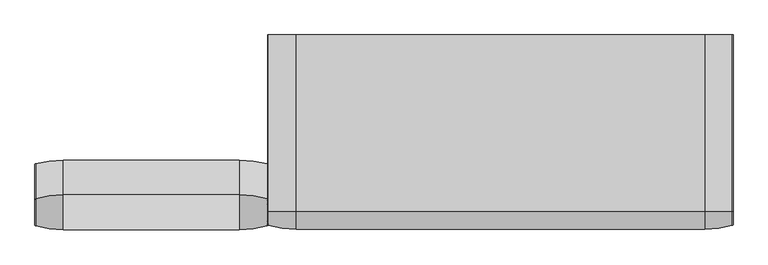
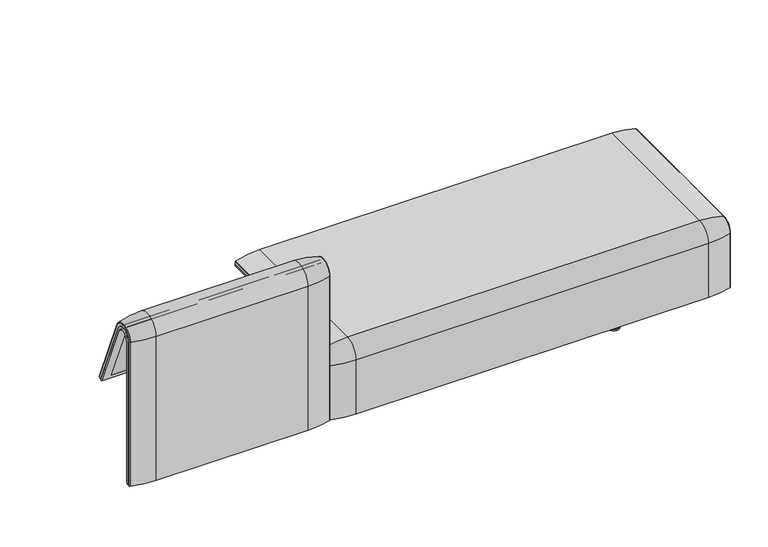
"""IFC4 building model written with IfcOpenShell, lengths in millimetres: furniture geometry."""

from ifc_helpers import new_model, si_unit, point, frame, frame_2d, origin, place, context, project, spatial, polyline, circle_curve, ellipse_curve, trimmed, segment, composite_curve, outline, extrude, source, transform, mapped, element, save
from ifc_brep_helpers import plane_surface, cylinder_surface, revolved_surface, advanced_brep


def furniture_5b1cd11e(model_context):
    return source(origin(), model_context, "Body", "SolidModel", [
        advanced_brep(
        [(-407.940992, -351.0000061, 101.8476716), (-407.940992, -351.0000061, 712.9272623), (-407.940992, -296.2720241, 723.9759107), (-407.940992, -175.0204081, 435.9866665), (-407.940992, -170.1966807, 437.98305), (-407.940992, -292.4403877, 733.7122262), (-407.940992, -359.7858817, 720.3417731), (-407.940992, -359.7858817, 101.8476716), (-1223.9222409, -351.0000061, 101.8476716), (-1223.9222409, -359.7858817, 101.8476716), (-1223.9222409, -359.7858817, 720.3417731), (-1223.9222409, -292.4403877, 733.7122262), (-1223.9222409, -170.1966807, 437.98305), (-1223.9222409, -175.0204081, 435.9866665), (-1223.9222409, -296.2458652, 723.9869215), (-1223.9222409, -351.0000061, 712.9272623), (-1189.038785, -292.4403877, 733.7122262), (-1189.038785, -176.0980387, 452.25948), (-442.8575362, -176.0980387, 452.25948), (-442.8575362, -292.4403877, 733.7122262), (-442.8575362, -296.2458652, 723.9869215), (-442.8575362, -181.0136548, 450.2250668), (-1189.038785, -181.0136548, 450.2250668), (-1189.038785, -296.2458652, 723.9869215), (-1189.038785, -351.0000061, 712.9272623), (-1189.038785, -351.0000061, 135.3766997), (-442.8575362, -351.0000061, 135.3766997), (-442.8575362, -351.0000061, 712.9272623), (-442.8575362, -359.7858817, 720.3417731), (-442.8575362, -359.7858817, 135.3766997), (-1189.038785, -359.7858817, 135.3766997), (-1189.038785, -359.7858817, 720.3417731)],
        [
            (0, 1),
            (1, 2, circle_curve(frame((-407.940992, -322.520748, 712.9272623), z_axis=(-1.0, 0.0, 0.0), x_axis=(0.0, 1.0, 0.0)), 28.479258)),
            (2, 3),
            (3, 4),
            (4, 5),
            (5, 6, circle_curve(frame((-407.940992, -324.7858817, 720.3417731), z_axis=(1.0, 0.0, 0.0), x_axis=(0.0, 1.0, 0.0)), 35.0)),
            (6, 7),
            (7, 0),
            (8, 9),
            (9, 10),
            (10, 11, circle_curve(frame((-1223.9222409, -324.7858817, 720.3417731), z_axis=(-1.0, 0.0, 0.0), x_axis=(0.0, 1.0, 0.0)), 35.0)),
            (11, 12),
            (12, 13),
            (13, 14),
            (14, 15, circle_curve(frame((-1223.9222409, -322.520748, 712.9272623), z_axis=(1.0, 0.0, 0.0), x_axis=(0.0, 1.0, 0.0)), 28.479258)),
            (15, 8),
            (4, 12),
            (11, 16),
            (16, 17),
            (17, 18),
            (18, 19),
            (19, 5),
            (3, 13),
            (2, 20),
            (20, 21),
            (21, 22),
            (22, 23),
            (23, 14),
            (0, 8),
            (15, 24),
            (24, 25),
            (25, 26),
            (26, 27),
            (27, 1),
            (7, 9),
            (6, 28),
            (28, 29),
            (29, 30),
            (30, 31),
            (31, 10),
            (19, 28, circle_curve(frame((-442.8575362, -324.7858817, 720.3417731), z_axis=(1.0, 0.0, 0.0), x_axis=(0.0, 1.0, 0.0)), 35.0)),
            (31, 16, circle_curve(frame((-1189.038785, -324.7858817, 720.3417731), z_axis=(-1.0, 0.0, 0.0), x_axis=(0.0, 1.0, 0.0)), 35.0)),
            (27, 20, circle_curve(frame((-442.8575362, -322.520748, 712.9272623), z_axis=(-1.0, 0.0, 0.0), x_axis=(0.0, 1.0, 0.0)), 28.479258)),
            (23, 24, circle_curve(frame((-1189.038785, -322.520748, 712.9272623), z_axis=(1.0, 0.0, 0.0), x_axis=(0.0, 1.0, 0.0)), 28.479258)),
            (26, 29),
            (18, 21),
            (22, 17),
            (30, 25),
        ],
        [
            plane_surface(frame((-407.940992, -359.7858817, 101.8476716), z_axis=(1.0, 0.0, 0.0), x_axis=(0.0, -1.0, 0.0))),
            plane_surface(frame((-1223.9222409, -359.7858817, 101.8476716), z_axis=(-1.0, 0.0, 0.0), x_axis=(0.0, 1.0, 0.0))),
            plane_surface(frame((-407.940992, -292.4403877, 733.7122262), z_axis=(0.0, 0.9241569717933176, 0.3820129467515535), x_axis=(-1.0, 0.0, 0.0))),
            plane_surface(frame((-407.940992, -170.1966807, 437.98305), z_axis=(0.0, 0.38241039441983893, -0.9239925812687368), x_axis=(-1.0, 0.0, 0.0))),
            plane_surface(frame((-407.940992, -175.0204081, 435.9866665), z_axis=(0.0, -0.921678643444566, -0.3879542218073993), x_axis=(-1.0, 0.0, 0.0))),
            plane_surface(frame((-407.940992, -351.0000061, 712.9272623), z_axis=(0.0, 1.0, 0.0), x_axis=(-1.0, 0.0, 0.0))),
            plane_surface(frame((-407.940992, -351.0000061, 101.8476716), z_axis=(0.0, 0.0, -1.0), x_axis=(-1.0, 0.0, 0.0))),
            plane_surface(frame((-407.940992, -359.7858817, 101.8476716), z_axis=(0.0, -1.0, 0.0), x_axis=(-1.0, 0.0, 0.0))),
            cylinder_surface(frame((-1223.9222409, -324.7858817, 720.3417731), z_axis=(1.0, 0.0, 0.0), x_axis=(0.0, 1.0, 0.0)), 35.0),
            revolved_surface(polyline([(-442.8575362, -294.04149, 712.9272623), (-407.94099200000005, -294.04149, 712.9272623)]), (-1223.9222409, -322.520748, 712.9272623), (-1.0, 0.0, 0.0)),
            revolved_surface(polyline([(-1223.9222409, -294.04149, 712.9272623), (-1189.038785, -294.04149, 712.9272623)]), (-1223.9222409, -322.520748, 712.9272623), (-1.0, 0.0, 0.0)),
            plane_surface(frame((-442.8575362, -359.7858817, 135.3766997), z_axis=(-1.0, 0.0, 0.0), x_axis=(0.0, -1.0, 0.0))),
            plane_surface(frame((-1189.038785, -359.7858817, 135.3766997), z_axis=(1.0, 0.0, 0.0), x_axis=(0.0, 1.0, 0.0))),
            plane_surface(frame((-442.8575362, -166.9120641, 456.0612553), z_axis=(0.0, -0.38241039441982605, 0.9239925812687422), x_axis=(-1.0, 0.0, 0.0))),
            plane_surface(frame((-442.8575362, -344.7858817, 135.3766997), z_axis=(0.0, 0.0, 1.0), x_axis=(-1.0, 0.0, 0.0))),
        ],
        [
            (0, [[1, 2, 3, 4, 5, 6, 7, 8]]),
            (1, [[9, 10, 11, 12, 13, 14, 15, 16]]),
            (2, [[17, -12, 18, 19, 20, 21, 22, -5]]),
            (3, [[23, -13, -17, -4]]),
            (4, [[24, 25, 26, 27, 28, -14, -23, -3]]),
            (5, [[29, -16, 30, 31, 32, 33, 34, -1]]),
            (6, [[35, -9, -29, -8]]),
            (7, [[36, 37, 38, 39, 40, -10, -35, -7]]),
            (8, [[-22, 41, -36, -6]]),
            (8, [[-40, 42, -18, -11]]),
            (9, [[-34, 43, -24, -2]]),
            (10, [[-28, 44, -30, -15]]),
            (11, [[-25, -43, -33, 45, -37, -41, -21, 46]]),
            (12, [[-31, -44, -27, 47, -19, -42, -39, 48]]),
            (13, [[-20, -47, -26, -46]]),
            (14, [[-32, -48, -38, -45]]),
        ],
    ),
        advanced_brep(
        [(-442.8575362, -351.0000061, 135.3766997), (-442.8575362, -351.0000061, 712.9272623), (-442.8575362, -296.2720241, 723.9759107), (-442.8575362, -181.0136548, 450.2250668), (-442.8575362, -176.0980387, 452.25948), (-442.8575362, -292.4403877, 733.7122262), (-442.8575362, -359.7858817, 720.3417731), (-442.8575362, -359.7858817, 135.3766997), (-1189.038785, -351.0000061, 135.3766997), (-1189.038785, -359.7858817, 135.3766997), (-1189.038785, -359.7858817, 720.3417731), (-1189.038785, -292.4403877, 733.7122262), (-1189.038785, -176.0980387, 452.25948), (-1189.038785, -181.0136548, 450.2250668), (-1189.038785, -296.2458652, 723.9869215), (-1189.038785, -351.0000061, 712.9272623)],
        [
            (0, 1),
            (1, 2, circle_curve(frame((-442.8575362, -322.520748, 712.9272623), z_axis=(-1.0, 0.0, 0.0), x_axis=(0.0, 1.0, 0.0)), 28.479258)),
            (2, 3),
            (3, 4),
            (4, 5),
            (5, 6, circle_curve(frame((-442.8575362, -324.7858817, 720.3417731), z_axis=(1.0, 0.0, 0.0), x_axis=(0.0, 1.0, 0.0)), 35.0)),
            (6, 7),
            (7, 0),
            (8, 9),
            (9, 10),
            (10, 11, circle_curve(frame((-1189.038785, -324.7858817, 720.3417731), z_axis=(-1.0, 0.0, 0.0), x_axis=(0.0, 1.0, 0.0)), 35.0)),
            (11, 12),
            (12, 13),
            (13, 14),
            (14, 15, circle_curve(frame((-1189.038785, -322.520748, 712.9272623), z_axis=(1.0, 0.0, 0.0), x_axis=(0.0, 1.0, 0.0)), 28.479258)),
            (15, 8),
            (4, 12),
            (11, 5),
            (3, 13),
            (2, 14),
            (0, 8),
            (15, 1),
            (7, 9),
            (6, 10),
        ],
        [
            plane_surface(frame((-442.8575362, -359.7858817, 135.3766997), z_axis=(1.0, 0.0, 0.0), x_axis=(0.0, -1.0, 0.0))),
            plane_surface(frame((-1189.038785, -359.7858817, 135.3766997), z_axis=(-1.0, 0.0, 0.0), x_axis=(0.0, 1.0, 0.0))),
            plane_surface(frame((-442.8575362, -292.4403877, 733.7122262), z_axis=(0.0, 0.9241569717933176, 0.3820129467515535), x_axis=(-1.0, 0.0, 0.0))),
            plane_surface(frame((-442.8575362, -176.0980387, 452.25948), z_axis=(0.0, 0.38241039441982716, -0.9239925812687417), x_axis=(-1.0, 0.0, 0.0))),
            plane_surface(frame((-442.8575362, -181.0136548, 450.2250668), z_axis=(0.0, -0.921678643444566, -0.3879542218073993), x_axis=(-1.0, 0.0, 0.0))),
            plane_surface(frame((-442.8575362, -351.0000061, 712.9272623), z_axis=(0.0, 1.0, 0.0), x_axis=(-1.0, 0.0, 0.0))),
            plane_surface(frame((-442.8575362, -351.0000061, 135.3766997), z_axis=(0.0, 0.0, -1.0), x_axis=(-1.0, 0.0, 0.0))),
            plane_surface(frame((-442.8575362, -359.7858817, 135.3766997), z_axis=(0.0, -1.0, 0.0), x_axis=(-1.0, 0.0, 0.0))),
            cylinder_surface(frame((-1189.038785, -324.7858817, 720.3417731), z_axis=(1.0, 0.0, 0.0), x_axis=(0.0, 1.0, 0.0)), 35.0),
            revolved_surface(polyline([(-1189.038785, -294.04149, 712.9272623), (-442.8575362, -294.04149, 712.9272623)]), (-1189.038785, -322.520748, 712.9272623), (-1.0, 0.0, 0.0)),
        ],
        [
            (0, [[1, 2, 3, 4, 5, 6, 7, 8]]),
            (1, [[9, 10, 11, 12, 13, 14, 15, 16]]),
            (2, [[17, -12, 18, -5]]),
            (3, [[19, -13, -17, -4]]),
            (4, [[20, -14, -19, -3]]),
            (5, [[21, -16, 22, -1]]),
            (6, [[23, -9, -21, -8]]),
            (7, [[24, -10, -23, -7]]),
            (8, [[-18, -11, -24, -6]]),
            (9, [[-22, -15, -20, -2]]),
        ],
    ),
        extrude(outline(composite_curve([segment(polyline([(-305.0000061, 349.9223263), (-285.0000061, 349.9223263)]), True, "CONTINUOUS"), segment(trimmed(circle_curve(frame_2d((-285.0000061, 359.9223263)), 10.0), [point((-285.0000061, 349.9223263))], [point((-275.0000061, 359.9223263))], True, "CARTESIAN"), True, "CONTINUOUS"), segment(polyline([(-275.0000061, 359.9223263), (-270.0000061, 359.9223263), (-270.0000061, 299.9223263), (-309.4476, 299.9223263)]), True, "CONTINUOUS"), segment(trimmed(circle_curve(frame_2d((-309.4476, 269.9223263)), 30.0), [point((-309.4476, 299.9223263))], [point((-339.4064861, 271.492405))], True, "CARTESIAN"), True, "CONTINUOUS"), segment(polyline([(-339.4064861, 271.492405), (-343.3075759, 197.0551771), (-351.0000061, 197.0551771), (-351.0000061, 712.9272623)]), True, "CONTINUOUS"), segment(trimmed(circle_curve(frame_2d((-322.520748, 712.9272623)), 28.479258), [point((-351.0000061, 712.9272623))], [point((-296.3054528, 724.0549949))], False, "CARTESIAN"), True, "CONTINUOUS"), segment(polyline([(-296.3054528, 724.0549949), (-213.7507451, 529.5682915), (-222.2725218, 526.5505721), (-238.0355877, 560.3545758)]), True, "CONTINUOUS"), segment(trimmed(circle_curve(frame_2d((-251.6302045, 554.0153019)), 15.0), [point((-238.0355877, 560.3545758))], [point((-257.4911714, 567.8228747))], True, "CARTESIAN"), True, "CONTINUOUS"), segment(polyline([(-257.4911714, 567.8228747), (-316.7219399, 542.6809051)]), True, "CONTINUOUS"), segment(trimmed(circle_curve(frame_2d((-305.0000061, 515.0657595)), 30.0), [point((-316.7219399, 542.6809051))], [point((-335.0000061, 515.0657595))], True, "CARTESIAN"), True, "CONTINUOUS"), segment(polyline([(-335.0000061, 515.0657595), (-335.0000061, 379.9223263)]), True, "CONTINUOUS"), segment(trimmed(circle_curve(frame_2d((-305.0000061, 379.9223263)), 30.0), [point((-335.0000061, 379.9223263))], [point((-305.0000061, 349.9223263))], True, "CARTESIAN"), True, "CONTINUOUS")], self_intersect=False), holes=[composite_curve([segment(trimmed(circle_curve(frame_2d((-319.9867182, 576.3274105)), 17.5132879), [point((-337.5000061, 576.3274105))], [point((-314.1406626, 559.8186587))], True, "CARTESIAN"), True, "CONTINUOUS"), segment(polyline([(-314.1406626, 559.8186587), (-265.0756376, 577.1934953)]), True, "CONTINUOUS"), segment(trimmed(circle_curve(frame_2d((-271.7517748, 596.0463251)), 20.0), [point((-265.0756376, 577.1934953))], [point((-253.6256191, 604.4986904))], True, "CARTESIAN"), True, "CONTINUOUS"), segment(polyline([(-253.6256191, 604.4986904), (-308.9053893, 723.0465402)]), True, "CONTINUOUS"), segment(trimmed(circle_curve(frame_2d((-322.5000061, 716.7072663)), 15.0), [point((-308.9053893, 723.0465402))], [point((-337.5000061, 716.7072663))], True, "CARTESIAN"), True, "CONTINUOUS"), segment(polyline([(-337.5000061, 716.7072663), (-337.5000061, 576.3274105)]), True, "CONTINUOUS")], self_intersect=False)]), frame((-570.9533638, 0.0, 0.0), z_axis=(1.0, 0.0, 0.0), x_axis=(0.0, 1.0, 0.0)), (0.0, 0.0, 1.0), 40.0),
        advanced_brep(
        [(-507.940992, -388.2902376, 100.5089435), (-1123.9553291, -388.2902376, 100.5089435), (-1221.8167006, -373.93893, 100.5089435), (-1223.9553291, -371.0652495, 100.5089435), (-1223.9553291, -359.7858817, 100.5089435), (-407.940992, -359.7858817, 100.5089435), (-407.940992, -371.0652495, 100.5089435), (-410.0796206, -373.93893, 100.5089435), (-507.940992, -388.2902376, 720.3417731), (-1123.9553291, -388.2902376, 720.3417731), (-410.0796206, -373.93893, 720.3417731), (-407.940992, -371.0652495, 720.3417731), (-407.940992, -359.7858817, 720.3417731), (-407.940992, -292.4403877, 733.7122262), (-407.940992, -170.1962447, 437.9819952), (-407.940992, -159.7723383, 442.2908598), (-407.940992, -282.0164812, 738.0210907), (-1223.9553291, -359.7858817, 720.3417731), (-507.940992, -143.8537454, 448.8710282), (-410.0796206, -157.1166065, 443.3886429), (-1223.9553291, -170.1962447, 437.9819952), (-1223.9553291, -159.7723383, 442.2908598), (-1221.8167006, -157.1166065, 443.3886429), (-1123.9553291, -143.8537454, 448.8710282), (-507.940992, -266.0978884, 744.6012592), (-1123.9553291, -266.0978884, 744.6012592), (-410.0796206, -279.3607494, 739.1188739), (-1223.9553291, -292.4403877, 733.7122262), (-1223.9553291, -371.0652495, 720.3417731), (-1223.9553291, -282.0164812, 738.0210907), (-1221.8167006, -373.93893, 720.3417731), (-1221.8167006, -279.3607494, 739.1188739)],
        [
            (0, 1),
            (1, 2, circle_curve(frame((-1123.9553291, -47.4569043, 100.5089435), z_axis=(0.0, 0.0, -1.0), x_axis=(0.0, 1.0, 0.0)), 340.8333333)),
            (2, 3, circle_curve(frame((-1220.9553291, -371.0652495, 100.5089435), z_axis=(0.0, 0.0, -1.0), x_axis=(-1.0, 0.0, 0.0)), 3.0)),
            (3, 4),
            (4, 5),
            (5, 6),
            (6, 7, circle_curve(frame((-410.940992, -371.0652495, 100.5089435), z_axis=(0.0, 0.0, -1.0), x_axis=(1.0, 0.0, 0.0)), 3.0)),
            (7, 0, circle_curve(frame((-507.940992, -47.4569043, 100.5089435), z_axis=(0.0, 0.0, -1.0), x_axis=(0.0, 1.0, 0.0)), 340.8333333)),
            (0, 8),
            (8, 9),
            (9, 1),
            (7, 10),
            (10, 8, circle_curve(frame((-507.940992, -47.4569043, 720.3417731), z_axis=(0.0, 0.0, -1.0), x_axis=(0.0, 1.0, 0.0)), 340.8333333)),
            (6, 11),
            (11, 10, circle_curve(frame((-410.940992, -371.0652495, 720.3417731), z_axis=(0.0, 0.0, -1.0), x_axis=(1.0, 0.0, 0.0)), 3.0)),
            (5, 12),
            (12, 13, circle_curve(frame((-407.940992, -324.7858817, 720.3417731), z_axis=(-1.0, 0.0, 0.0), x_axis=(0.0, -1.0, 0.0)), 35.0)),
            (13, 14),
            (14, 15),
            (15, 16),
            (16, 11, circle_curve(frame((-407.940992, -324.7858817, 720.3417731), z_axis=(1.0, 0.0, 0.0), x_axis=(0.0, -1.0, 0.0)), 46.2793679)),
            (4, 17),
            (17, 12),
            (18, 19, circle_curve(frame((-507.940992, -458.8372467, 318.6682822), z_axis=(0.0, 0.38201294675155345, -0.9241569717933176), x_axis=(0.0, -0.9241569717933176, -0.38201294675155345)), 340.8333333)),
            (19, 15, circle_curve(frame((-410.940992, -159.7723383, 442.2908598), z_axis=(0.0, 0.38201294675155345, -0.9241569717933176), x_axis=(1.0, 0.0, 0.0)), 3.0)),
            (14, 20),
            (20, 21),
            (21, 22, circle_curve(frame((-1220.9553291, -159.7723383, 442.2908598), z_axis=(0.0, 0.38201294675155345, -0.9241569717933176), x_axis=(-1.0, 0.0, 0.0)), 3.0)),
            (22, 23, circle_curve(frame((-1123.9553291, -458.8372467, 318.6682822), z_axis=(0.0, 0.38201294675155345, -0.9241569717933176), x_axis=(0.0, -0.9241569717933176, -0.38201294675155345)), 340.8333333)),
            (23, 18),
            (24, 25),
            (25, 9, circle_curve(frame((-1123.9553291, -324.7858817, 720.3417731), z_axis=(1.0, 0.0, 0.0), x_axis=(0.0, -1.0, 0.0)), 63.5043559)),
            (8, 24, circle_curve(frame((-507.940992, -324.7858817, 720.3417731), z_axis=(-1.0, 0.0, 0.0), x_axis=(0.0, -1.0, 0.0)), 63.5043559)),
            (26, 24, circle_curve(frame((-507.940992, -581.0813896, 614.3985132), z_axis=(0.0, -0.3820129467515544, 0.9241569717933172), x_axis=(0.0, -0.9241569717933172, -0.3820129467515544)), 340.8333333)),
            (10, 26, circle_curve(frame((-410.0796206, -324.7858817, 720.3417731), z_axis=(-1.0, 0.0, 0.0), x_axis=(0.0, -1.0, 0.0)), 49.1530483)),
            (16, 26, circle_curve(frame((-410.940992, -282.0164812, 738.0210907), z_axis=(0.0, -0.38201294675155356, 0.9241569717933176), x_axis=(1.0, 0.0, 0.0)), 3.0)),
            (27, 13),
            (17, 27, circle_curve(frame((-1223.9553291, -324.7858817, 720.3417731), z_axis=(-1.0, 0.0, 0.0), x_axis=(0.0, -1.0, 0.0)), 35.0)),
            (24, 18),
            (23, 25),
            (26, 19),
            (27, 20),
            (3, 28),
            (28, 29, circle_curve(frame((-1223.9553291, -324.7858817, 720.3417731), z_axis=(-1.0, 0.0, 0.0), x_axis=(0.0, -1.0, 0.0)), 46.2793679)),
            (29, 21),
            (2, 30),
            (30, 28, circle_curve(frame((-1220.9553291, -371.0652495, 720.3417731), z_axis=(0.0, 0.0, -1.0), x_axis=(-1.0, 0.0, 0.0)), 3.0)),
            (9, 30, circle_curve(frame((-1123.9553291, -47.4569043, 720.3417731), z_axis=(0.0, 0.0, -1.0), x_axis=(0.0, 1.0, 0.0)), 340.8333333)),
            (31, 29, circle_curve(frame((-1220.9553291, -282.0164812, 738.0210907), z_axis=(0.0, -0.3820129467515556, 0.9241569717933167), x_axis=(-1.0, 0.0, 0.0)), 3.0)),
            (30, 31, circle_curve(frame((-1221.8167006, -324.7858817, 720.3417731), z_axis=(-1.0, 0.0, 0.0), x_axis=(0.0, -1.0, 0.0)), 49.1530483)),
            (25, 31, circle_curve(frame((-1123.9553291, -581.0813896, 614.3985132), z_axis=(0.0, -0.382012946751556, 0.9241569717933165), x_axis=(0.0, -0.9241569717933165, -0.382012946751556)), 340.8333333)),
            (31, 22),
        ],
        [
            plane_surface(frame((-811.1831374, -359.7858817, 100.5089435), z_axis=(0.0, 0.0, -1.0), x_axis=(1.0, 0.0, 0.0))),
            plane_surface(frame((-1123.9553291, -388.2902376, 100.5089435), z_axis=(0.0, -1.0, 0.0), x_axis=(0.0, 0.0, 1.0))),
            cylinder_surface(frame((-507.940992, -47.4569043, 100.5089435), z_axis=(0.0, 0.0, -1.0), x_axis=(0.0, 1.0, 0.0)), 340.8333333),
            cylinder_surface(frame((-410.940992, -371.0652495, 100.5089435), z_axis=(0.0, 0.0, -1.0), x_axis=(1.0, 0.0, 0.0)), 3.0),
            plane_surface(frame((-407.940992, -371.0652495, 100.5089435), z_axis=(1.0, 0.0, 0.0), x_axis=(0.0, 0.0, 1.0))),
            plane_surface(frame((-407.940992, -359.7858817, 100.5089435), z_axis=(0.0, 1.0, 0.0), x_axis=(0.0, 0.0, 1.0))),
            plane_surface(frame((-811.1831374, -170.1962447, 437.9819952), z_axis=(0.0, 0.38201294675155345, -0.9241569717933176), x_axis=(1.0, 0.0, 0.0))),
            cylinder_surface(frame((-811.1831374, -324.7858817, 720.3417731), z_axis=(1.0, 0.0, 0.0), x_axis=(0.0, -1.0, 0.0)), 63.5043559),
            revolved_surface(trimmed(ellipse_curve(frame((-507.940992, -47.4569043, 720.3417731), z_axis=(0.0, 0.0, 1.0), x_axis=(0.0, 1.0, 0.0)), 340.8333333, 340.8333333), [point((-507.940992, -388.2902376, 720.3417731))], [point((-410.0796206, -373.93893, 720.3417731))], True, "CARTESIAN"), (-811.1831374, -324.7858817, 720.3417731), (1.0, 0.0, 0.0)),
            revolved_surface(trimmed(ellipse_curve(frame((-410.940992, -371.0652495, 720.3417731), z_axis=(0.0, 0.0, 1.0), x_axis=(1.0, 0.0, 0.0)), 3.0, 3.0), [point((-410.0796206, -373.93893, 720.3417731))], [point((-407.940992, -371.0652495, 720.3417731))], True, "CARTESIAN"), (-811.1831374, -324.7858817, 720.3417731), (1.0, 0.0, 0.0)),
            revolved_surface(polyline([(-407.940992, -359.7858817, 720.3417731), (-1223.9553291, -359.7858817, 720.3417731)]), (-811.1831374, -324.7858817, 720.3417731), (1.0, 0.0, 0.0)),
            plane_surface(frame((-1123.9553291, -266.0978884, 744.6012592), z_axis=(0.0, 0.9241569717933176, 0.38201294675155356), x_axis=(0.0, 0.38201294675155356, -0.9241569717933176))),
            cylinder_surface(frame((-507.940992, -581.0813896, 614.3985132), z_axis=(0.0, -0.38201294675155345, 0.9241569717933176), x_axis=(0.0, -0.9241569717933176, -0.38201294675155345)), 340.8333333),
            cylinder_surface(frame((-410.940992, -282.0164812, 738.0210907), z_axis=(0.0, -0.38201294675155345, 0.9241569717933176), x_axis=(1.0, 0.0, 0.0)), 3.0),
            plane_surface(frame((-407.940992, -292.4403877, 733.7122262), z_axis=(0.0, -0.9241569717933176, -0.38201294675155356), x_axis=(0.0, 0.38201294675155356, -0.9241569717933176))),
            plane_surface(frame((-1223.9553291, -359.7858817, 100.5089435), z_axis=(-1.0, 0.0, 0.0), x_axis=(0.0, 0.0, 1.0))),
            cylinder_surface(frame((-1220.9553291, -371.0652495, 100.5089435), z_axis=(0.0, 0.0, -1.0), x_axis=(-1.0, 0.0, 0.0)), 3.0),
            cylinder_surface(frame((-1123.9553291, -47.4569043, 100.5089435), z_axis=(0.0, 0.0, -1.0), x_axis=(0.0, 1.0, 0.0)), 340.8333333),
            revolved_surface(trimmed(ellipse_curve(frame((-1220.9553291, -371.0652495, 720.3417731), z_axis=(0.0, 0.0, 1.0), x_axis=(-1.0, 0.0, 0.0)), 3.0, 3.0), [point((-1223.9553291, -371.0652495, 720.3417731))], [point((-1221.8167006, -373.93893, 720.3417731))], True, "CARTESIAN"), (-811.1831374, -324.7858817, 720.3417731), (1.0, 0.0, 0.0)),
            revolved_surface(trimmed(ellipse_curve(frame((-1123.9553291, -47.4569043, 720.3417731), z_axis=(0.0, 0.0, 1.0), x_axis=(0.0, 1.0, 0.0)), 340.8333333, 340.8333333), [point((-1221.8167006, -373.93893, 720.3417731))], [point((-1123.9553291, -388.2902376, 720.3417731))], True, "CARTESIAN"), (-811.1831374, -324.7858817, 720.3417731), (1.0, 0.0, 0.0)),
            cylinder_surface(frame((-1220.9553291, -282.0164812, 738.0210907), z_axis=(0.0, -0.38201294675155345, 0.9241569717933176), x_axis=(-1.0, 0.0, 0.0)), 3.0),
            cylinder_surface(frame((-1123.9553291, -581.0813896, 614.3985132), z_axis=(0.0, -0.38201294675155345, 0.9241569717933176), x_axis=(0.0, -0.9241569717933176, -0.38201294675155345)), 340.8333333),
        ],
        [
            (0, [[1, 2, 3, 4, 5, 6, 7, 8]]),
            (1, [[9, 10, 11, -1]]),
            (2, [[12, 13, -9, -8]]),
            (3, [[14, 15, -12, -7]]),
            (4, [[16, 17, 18, 19, 20, 21, -14, -6]]),
            (5, [[22, 23, -16, -5]]),
            (6, [[24, 25, -19, 26, 27, 28, 29, 30]]),
            (7, [[31, 32, -10, 33]]),
            (8, [[34, -33, -13, 35]]),
            (9, [[36, -35, -15, -21]]),
            (10, [[37, -17, -23, 38]]),
            (11, [[39, -30, 40, -31]]),
            (12, [[41, -24, -39, -34]]),
            (13, [[-20, -25, -41, -36]]),
            (14, [[42, -26, -18, -37]]),
            (15, [[43, 44, 45, -27, -42, -38, -22, -4]]),
            (16, [[46, 47, -43, -3]]),
            (17, [[-11, 48, -46, -2]]),
            (18, [[49, -44, -47, 50]]),
            (19, [[51, -50, -48, -32]]),
            (20, [[52, -28, -45, -49]]),
            (21, [[-40, -29, -52, -51]]),
        ],
    ),
        extrude(outline(composite_curve([segment(polyline([(-305.0000061, 349.9223263), (-285.0000061, 349.9223263)]), True, "CONTINUOUS"), segment(trimmed(circle_curve(frame_2d((-285.0000061, 359.9223263)), 10.0), [point((-285.0000061, 349.9223263))], [point((-275.0000061, 359.9223263))], True, "CARTESIAN"), True, "CONTINUOUS"), segment(polyline([(-275.0000061, 359.9223263), (-270.0000061, 359.9223263), (-270.0000061, 299.9223263), (-309.4476, 299.9223263)]), True, "CONTINUOUS"), segment(trimmed(circle_curve(frame_2d((-309.4476, 269.9223263)), 30.0), [point((-309.4476, 299.9223263))], [point((-339.4064861, 271.492405))], True, "CARTESIAN"), True, "CONTINUOUS"), segment(polyline([(-339.4064861, 271.492405), (-343.3075759, 197.0551771), (-351.0000061, 197.0551771), (-351.0000061, 712.9272623)]), True, "CONTINUOUS"), segment(trimmed(circle_curve(frame_2d((-322.520748, 712.9272623)), 28.479258), [point((-351.0000061, 712.9272623))], [point((-296.3054528, 724.0549949))], False, "CARTESIAN"), True, "CONTINUOUS"), segment(polyline([(-296.3054528, 724.0549949), (-213.7507451, 529.5682915), (-222.2725218, 526.5505721), (-238.0355877, 560.3545758)]), True, "CONTINUOUS"), segment(trimmed(circle_curve(frame_2d((-251.6302045, 554.0153019)), 15.0), [point((-238.0355877, 560.3545758))], [point((-257.4911714, 567.8228747))], True, "CARTESIAN"), True, "CONTINUOUS"), segment(polyline([(-257.4911714, 567.8228747), (-316.7219399, 542.6809051)]), True, "CONTINUOUS"), segment(trimmed(circle_curve(frame_2d((-305.0000061, 515.0657595)), 30.0), [point((-316.7219399, 542.6809051))], [point((-335.0000061, 515.0657595))], True, "CARTESIAN"), True, "CONTINUOUS"), segment(polyline([(-335.0000061, 515.0657595), (-335.0000061, 379.9223263)]), True, "CONTINUOUS"), segment(trimmed(circle_curve(frame_2d((-305.0000061, 379.9223263)), 30.0), [point((-335.0000061, 379.9223263))], [point((-305.0000061, 349.9223263))], True, "CARTESIAN"), True, "CONTINUOUS")], self_intersect=False), holes=[composite_curve([segment(trimmed(circle_curve(frame_2d((-319.9867182, 576.3274105)), 17.5132879), [point((-337.5000061, 576.3274105))], [point((-314.1406626, 559.8186587))], True, "CARTESIAN"), True, "CONTINUOUS"), segment(polyline([(-314.1406626, 559.8186587), (-265.0756376, 577.1934953)]), True, "CONTINUOUS"), segment(trimmed(circle_curve(frame_2d((-271.7517748, 596.0463251)), 20.0), [point((-265.0756376, 577.1934953))], [point((-253.6256191, 604.4986904))], True, "CARTESIAN"), True, "CONTINUOUS"), segment(polyline([(-253.6256191, 604.4986904), (-308.9053893, 723.0465402)]), True, "CONTINUOUS"), segment(trimmed(circle_curve(frame_2d((-322.5000061, 716.7072663)), 15.0), [point((-308.9053893, 723.0465402))], [point((-337.5000061, 716.7072663))], True, "CARTESIAN"), True, "CONTINUOUS"), segment(polyline([(-337.5000061, 716.7072663), (-337.5000061, 576.3274105)]), True, "CONTINUOUS")], self_intersect=False)]), frame((-1100.9429574, 0.0, 0.0), z_axis=(1.0, 0.0, 0.0), x_axis=(0.0, 1.0, 0.0)), (0.0, 0.0, 1.0), 40.0),
        advanced_brep(
        [(-407.9906244, 295.0, 359.922434), (-407.9906244, -323.7517936, 359.922434), (-407.9906244, -351.0, 332.6742277), (-407.9906244, -351.0, 100.5089435), (-407.9906244, -357.5, 100.5089435), (-407.9906244, -357.5, 333.0583003), (-407.9906244, -324.3858663, 366.172434), (-407.9906244, 295.0, 366.172434), (1223.9718733, 295.0, 359.922434), (1223.9718733, 295.0, 366.172434), (1223.9718733, -324.3858663, 366.172434), (1223.9718733, -357.5, 333.0583003), (1223.9718733, -357.5, 100.5089435), (1223.9718733, -351.0, 100.5089435), (1223.9718733, -351.0, 332.6742277), (1223.9718733, -323.7517936, 359.922434), (-373.0906244, -324.3858663, 366.172434), (-373.0906244, 260.0, 366.172434), (1189.0718733, 260.0, 366.172434), (1189.0718733, -324.3858663, 366.172434), (-373.0906244, -357.5, 333.0583003), (1189.0718733, -357.5, 333.0583003), (1189.0718733, -357.5, 135.3766997), (-373.0906244, -357.5, 135.3766997), (-373.0906244, -351.0, 332.6742277), (-373.0906244, -351.0, 135.3766997), (1189.0718733, -351.0, 135.3766997), (1189.0718733, -351.0, 332.6742277), (-373.0906244, -323.7517936, 359.922434), (1189.0718733, -323.7517936, 359.922434), (1189.0718733, 260.0, 359.922434), (-373.0906244, 260.0, 359.922434)],
        [
            (0, 1),
            (1, 2, circle_curve(frame((-407.9906244, -323.7517936, 332.6742277), z_axis=(1.0, 0.0, 0.0), x_axis=(0.0, -1.0, 0.0)), 27.2482064)),
            (2, 3),
            (3, 4),
            (4, 5),
            (5, 6, circle_curve(frame((-407.9906244, -324.3858663, 333.0583003), z_axis=(-1.0, 0.0, 0.0), x_axis=(0.0, -1.0, 0.0)), 33.1141337)),
            (6, 7),
            (7, 0),
            (8, 9),
            (9, 10),
            (10, 11, circle_curve(frame((1223.9718733, -324.3858663, 333.0583003), z_axis=(1.0, 0.0, 0.0), x_axis=(0.0, -1.0, 0.0)), 33.1141337)),
            (11, 12),
            (12, 13),
            (13, 14),
            (14, 15, circle_curve(frame((1223.9718733, -323.7517936, 332.6742277), z_axis=(-1.0, 0.0, 0.0), x_axis=(0.0, -1.0, 0.0)), 27.2482064)),
            (15, 8),
            (7, 9),
            (8, 0),
            (6, 16),
            (16, 17),
            (17, 18),
            (18, 19),
            (19, 10),
            (5, 20),
            (20, 16, circle_curve(frame((-373.0906244, -324.3858663, 333.0583003), z_axis=(-1.0, 0.0, 0.0), x_axis=(0.0, -1.0, 0.0)), 33.1141337)),
            (19, 21, circle_curve(frame((1189.0718733, -324.3858663, 333.0583003), z_axis=(1.0, 0.0, 0.0), x_axis=(0.0, -1.0, 0.0)), 33.1141337)),
            (21, 11),
            (4, 12),
            (21, 22),
            (22, 23),
            (23, 20),
            (3, 13),
            (2, 24),
            (24, 25),
            (25, 26),
            (26, 27),
            (27, 14),
            (1, 28),
            (28, 24, circle_curve(frame((-373.0906244, -323.7517936, 332.6742277), z_axis=(1.0, 0.0, 0.0), x_axis=(0.0, -1.0, 0.0)), 27.2482064)),
            (27, 29, circle_curve(frame((1189.0718733, -323.7517936, 332.6742277), z_axis=(-1.0, 0.0, 0.0), x_axis=(0.0, -1.0, 0.0)), 27.2482064)),
            (29, 15),
            (29, 30),
            (30, 31),
            (31, 28),
            (31, 17),
            (23, 25),
            (26, 22),
            (18, 30),
        ],
        [
            plane_surface(frame((-407.9906244, -296.9265415, 359.922434), z_axis=(-1.0, 0.0, 0.0), x_axis=(0.0, -1.0, 0.0))),
            plane_surface(frame((1223.9718733, -296.9265415, 359.922434), z_axis=(1.0, 0.0, 0.0), x_axis=(0.0, 1.0, 0.0))),
            plane_surface(frame((-407.9906244, 295.0, 366.172434), z_axis=(0.0, 1.0, 0.0), x_axis=(1.0, 0.0, 0.0))),
            plane_surface(frame((-407.9906244, -324.3858663, 366.172434), z_axis=(0.0, 0.0, 1.0), x_axis=(1.0, 0.0, 0.0))),
            cylinder_surface(frame((1223.9718733, -324.3858663, 333.0583003), z_axis=(-1.0, 0.0, 0.0), x_axis=(0.0, -1.0, 0.0)), 33.1141337),
            plane_surface(frame((-407.9906244, -357.5, 100.5089435), z_axis=(0.0, -1.0, 0.0), x_axis=(1.0, 0.0, 0.0))),
            plane_surface(frame((-407.9906244, -351.0, 100.5089435), z_axis=(0.0, 0.0, -1.0), x_axis=(1.0, 0.0, 0.0))),
            plane_surface(frame((-407.9906244, -351.0, 332.6742277), z_axis=(0.0, 1.0, 0.0), x_axis=(1.0, 0.0, 0.0))),
            revolved_surface(polyline([(-373.0906244, -351.0, 332.6742277), (-407.9906243999999, -351.0, 332.6742277)]), (1223.9718733, -323.7517936, 332.6742277), (1.0, 0.0, 0.0)),
            revolved_surface(polyline([(1223.9718733, -351.0, 332.6742277), (1189.0718733, -351.0, 332.6742277)]), (1223.9718733, -323.7517936, 332.6742277), (1.0, 0.0, 0.0)),
            plane_surface(frame((-407.9906244, 295.0, 359.922434), z_axis=(0.0, 0.0, -1.0), x_axis=(1.0, 0.0, 0.0))),
            plane_surface(frame((-373.0906244, -296.9265415, 359.922434), z_axis=(1.0, 0.0, 0.0), x_axis=(0.0, -1.0, 0.0))),
            plane_surface(frame((1189.0718733, -296.9265415, 359.922434), z_axis=(-1.0, 0.0, 0.0), x_axis=(0.0, 1.0, 0.0))),
            plane_surface(frame((-373.0906244, 260.0, 366.172434), z_axis=(0.0, -1.0, 0.0), x_axis=(1.0, 0.0, 0.0))),
            plane_surface(frame((-373.0906244, -351.0, 135.3766997), z_axis=(0.0, 0.0, 1.0), x_axis=(1.0, 0.0, 0.0))),
        ],
        [
            (0, [[1, 2, 3, 4, 5, 6, 7, 8]]),
            (1, [[9, 10, 11, 12, 13, 14, 15, 16]]),
            (2, [[-8, 17, -9, 18]]),
            (3, [[-7, 19, 20, 21, 22, 23, -10, -17]]),
            (4, [[-6, 24, 25, -19]]),
            (4, [[-11, -23, 26, 27]]),
            (5, [[-5, 28, -12, -27, 29, 30, 31, -24]]),
            (6, [[-4, 32, -13, -28]]),
            (7, [[-3, 33, 34, 35, 36, 37, -14, -32]]),
            (8, [[-2, 38, 39, -33]]),
            (9, [[-15, -37, 40, 41]]),
            (10, [[-1, -18, -16, -41, 42, 43, 44, -38]]),
            (11, [[45, -20, -25, -31, 46, -34, -39, -44]]),
            (12, [[47, -29, -26, -22, 48, -42, -40, -36]]),
            (13, [[-45, -43, -48, -21]]),
            (14, [[-46, -30, -47, -35]]),
        ],
    ),
        extrude(outline(composite_curve([segment(polyline([(260.0, 359.922434), (-323.7517936, 359.922434)]), True, "CONTINUOUS"), segment(trimmed(circle_curve(frame_2d((-323.7517936, 332.6742277)), 27.2482064), [point((-323.7517936, 359.922434))], [point((-351.0, 332.6742277))], True, "CARTESIAN"), True, "CONTINUOUS"), segment(polyline([(-351.0, 332.6742277), (-351.0, 135.3766997), (-357.5, 135.3766997), (-357.5, 333.0583003)]), True, "CONTINUOUS"), segment(trimmed(circle_curve(frame_2d((-324.3858663, 333.0583003)), 33.1141337), [point((-357.5, 333.0583003))], [point((-324.3858663, 366.172434))], False, "CARTESIAN"), True, "CONTINUOUS"), segment(polyline([(-324.3858663, 366.172434), (260.0, 366.172434), (260.0, 359.922434)]), True, "CONTINUOUS")], self_intersect=False)), frame((-373.0906244, 0.0, 0.0), z_axis=(1.0, 0.0, 0.0), x_axis=(0.0, 1.0, 0.0)), (0.0, 0.0, 1.0), 1562.1624977),
        advanced_brep(
        [(-407.9906244, -368.7793679, 100.5089435), (-407.9906244, -357.5, 100.5089435), (1223.9718733, -357.5, 100.5089435), (1223.9718733, -368.7793679, 100.5089435), (1221.8332448, -371.6530483, 100.5089435), (1123.9718733, -386.0043559, 100.5089435), (-307.9906244, -386.0043559, 100.5089435), (-405.8519959, -371.6530483, 100.5089435), (-407.9906244, 295.0, 377.4518019), (-405.8519959, 295.0, 380.3254823), (-307.9906244, 295.0, 394.67679), (1123.9718733, 295.0, 394.67679), (1221.8332448, 295.0, 380.3254823), (1223.9718733, 295.0, 377.4518019), (1223.9718733, 295.0, 366.172434), (-407.9906244, 295.0, 366.172434), (-407.9906244, -368.7793679, 333.0583003), (-407.9906244, -324.3858663, 377.4518019), (-407.9906244, -324.3858663, 366.172434), (-407.9906244, -357.5, 333.0583003), (1223.9718733, -357.5, 333.0583003), (1123.9718733, -386.0043559, 333.0583003), (-307.9906244, -386.0043559, 333.0583003), (-405.8519959, -371.6530483, 333.0583003), (1223.9718733, -324.3858663, 366.172434), (-307.9906244, -324.3858663, 394.67679), (1123.9718733, -324.3858663, 394.67679), (-405.8519959, -324.3858663, 380.3254823), (1223.9718733, -324.3858663, 377.4518019), (1223.9718733, -368.7793679, 333.0583003), (1221.8332448, -371.6530483, 333.0583003), (1221.8332448, -324.3858663, 380.3254823)],
        [
            (0, 1),
            (1, 2),
            (2, 3),
            (3, 4, circle_curve(frame((1220.9718733, -368.7793679, 100.5089435), z_axis=(0.0, 0.0, -1.0), x_axis=(-1.0, 0.0, 0.0)), 3.0)),
            (4, 5, circle_curve(frame((1123.9718733, -45.1710226, 100.5089435), z_axis=(0.0, 0.0, -1.0), x_axis=(0.0, 1.0, 0.0)), 340.8333333)),
            (5, 6),
            (6, 7, circle_curve(frame((-307.9906244, -45.1710226, 100.5089435), z_axis=(0.0, 0.0, -1.0), x_axis=(0.0, 1.0, 0.0)), 340.8333333)),
            (7, 0, circle_curve(frame((-404.9906244, -368.7793679, 100.5089435), z_axis=(0.0, 0.0, -1.0), x_axis=(1.0, 0.0, 0.0)), 3.0)),
            (8, 9, circle_curve(frame((-404.9906244, 295.0, 377.4518019), z_axis=(0.0, 1.0, 0.0), x_axis=(1.0, 0.0, 0.0)), 3.0)),
            (9, 10, circle_curve(frame((-307.9906244, 295.0, 53.8434566), z_axis=(0.0, 1.0, 0.0), x_axis=(0.0, 0.0, -1.0)), 340.8333333)),
            (10, 11),
            (11, 12, circle_curve(frame((1123.9718733, 295.0, 53.8434566), z_axis=(0.0, 1.0, 0.0), x_axis=(0.0, 0.0, -1.0)), 340.8333333)),
            (12, 13, circle_curve(frame((1220.9718733, 295.0, 377.4518019), z_axis=(0.0, 1.0, 0.0), x_axis=(-1.0, 0.0, 0.0)), 3.0)),
            (13, 14),
            (14, 15),
            (15, 8),
            (0, 16),
            (16, 17, circle_curve(frame((-407.9906244, -324.3858663, 333.0583003), z_axis=(-1.0, 0.0, 0.0), x_axis=(0.0, -1.0, 0.0)), 44.3935016)),
            (17, 8),
            (15, 18),
            (18, 19, circle_curve(frame((-407.9906244, -324.3858663, 333.0583003), z_axis=(1.0, 0.0, 0.0), x_axis=(0.0, -1.0, 0.0)), 33.1141337)),
            (19, 1),
            (19, 20),
            (20, 2),
            (5, 21),
            (21, 22),
            (22, 6),
            (22, 23, circle_curve(frame((-307.9906244, -45.1710226, 333.0583003), z_axis=(0.0, 0.0, -1.0), x_axis=(0.0, 1.0, 0.0)), 340.8333333)),
            (23, 7),
            (23, 16, circle_curve(frame((-404.9906244, -368.7793679, 333.0583003), z_axis=(0.0, 0.0, -1.0), x_axis=(1.0, 0.0, 0.0)), 3.0)),
            (24, 20, circle_curve(frame((1223.9718733, -324.3858663, 333.0583003), z_axis=(1.0, 0.0, 0.0), x_axis=(0.0, -1.0, 0.0)), 33.1141337)),
            (18, 24),
            (25, 22, circle_curve(frame((-307.9906244, -324.3858663, 333.0583003), z_axis=(1.0, 0.0, 0.0), x_axis=(0.0, -1.0, 0.0)), 61.6184897)),
            (21, 26, circle_curve(frame((1123.9718733, -324.3858663, 333.0583003), z_axis=(-1.0, 0.0, 0.0), x_axis=(0.0, -1.0, 0.0)), 61.6184897)),
            (26, 25),
            (27, 23, circle_curve(frame((-405.8519959, -324.3858663, 333.0583003), z_axis=(1.0, 0.0, 0.0), x_axis=(0.0, -1.0, 0.0)), 47.267182)),
            (25, 27, circle_curve(frame((-307.9906244, -324.3858663, 53.8434566), z_axis=(0.0, -1.0, 0.0), x_axis=(0.0, 0.0, -1.0)), 340.8333333)),
            (27, 17, circle_curve(frame((-404.9906244, -324.3858663, 377.4518019), z_axis=(0.0, -1.0, 0.0), x_axis=(1.0, 0.0, 0.0)), 3.0)),
            (14, 24),
            (26, 11),
            (10, 25),
            (9, 27),
            (13, 28),
            (28, 29, circle_curve(frame((1223.9718733, -324.3858663, 333.0583003), z_axis=(1.0, 0.0, 0.0), x_axis=(0.0, -1.0, 0.0)), 44.3935016)),
            (29, 3),
            (29, 30, circle_curve(frame((1220.9718733, -368.7793679, 333.0583003), z_axis=(0.0, 0.0, -1.0), x_axis=(-1.0, 0.0, 0.0)), 3.0)),
            (30, 4),
            (30, 21, circle_curve(frame((1123.9718733, -45.1710226, 333.0583003), z_axis=(0.0, 0.0, -1.0), x_axis=(0.0, 1.0, 0.0)), 340.8333333)),
            (31, 30, circle_curve(frame((1221.8332448, -324.3858663, 333.0583003), z_axis=(1.0, 0.0, 0.0), x_axis=(0.0, -1.0, 0.0)), 47.267182)),
            (28, 31, circle_curve(frame((1220.9718733, -324.3858663, 377.4518019), z_axis=(0.0, -1.0, 0.0), x_axis=(-1.0, 0.0, 0.0)), 3.0)),
            (31, 26, circle_curve(frame((1123.9718733, -324.3858663, 53.8434566), z_axis=(0.0, -1.0, 0.0), x_axis=(0.0, 0.0, -1.0)), 340.8333333)),
            (12, 31),
        ],
        [
            plane_surface(frame((-407.9906244, -357.5, 100.5089435), z_axis=(0.0, 0.0, -1.0), x_axis=(1.0, 0.0, 0.0))),
            plane_surface(frame((-407.9906244, 295.0, 366.172434), z_axis=(0.0, 1.0, 0.0), x_axis=(1.0, 0.0, 0.0))),
            plane_surface(frame((-407.9906244, -368.7793679, 100.5089435), z_axis=(-1.0, 0.0, 0.0), x_axis=(0.0, 0.0, 1.0))),
            plane_surface(frame((-407.9906244, -357.5, 100.5089435), z_axis=(0.0, 1.0, 0.0), x_axis=(0.0, 0.0, 1.0))),
            plane_surface(frame((1123.9718733, -386.0043559, 100.5089435), z_axis=(0.0, -1.0, 0.0), x_axis=(0.0, 0.0, 1.0))),
            cylinder_surface(frame((-307.9906244, -45.1710226, 100.5089435), z_axis=(0.0, 0.0, -1.0), x_axis=(0.0, 1.0, 0.0)), 340.8333333),
            cylinder_surface(frame((-404.9906244, -368.7793679, 100.5089435), z_axis=(0.0, 0.0, -1.0), x_axis=(1.0, 0.0, 0.0)), 3.0),
            revolved_surface(polyline([(-407.9906244, -357.5, 333.0583003), (1223.9718733, -357.5, 333.0583003)]), (-407.9906244, -324.3858663, 333.0583003), (-1.0, 0.0, 0.0)),
            cylinder_surface(frame((-407.9906244, -324.3858663, 333.0583003), z_axis=(-1.0, 0.0, 0.0), x_axis=(0.0, -1.0, 0.0)), 61.6184897),
            revolved_surface(trimmed(ellipse_curve(frame((-307.9906244, -45.1710226, 333.0583003), z_axis=(0.0, 0.0, -1.0), x_axis=(0.0, 1.0, 0.0)), 340.8333333, 340.8333333), [point((-307.9906244, -386.0043559, 333.0583003))], [point((-405.8519959, -371.6530483, 333.0583003))], True, "CARTESIAN"), (-407.9906244, -324.3858663, 333.0583003), (-1.0, 0.0, 0.0)),
            revolved_surface(trimmed(ellipse_curve(frame((-404.9906244, -368.7793679, 333.0583003), z_axis=(0.0, 0.0, -1.0), x_axis=(1.0, 0.0, 0.0)), 3.0, 3.0), [point((-405.8519959, -371.6530483, 333.0583003))], [point((-407.9906244, -368.7793679, 333.0583003))], True, "CARTESIAN"), (-407.9906244, -324.3858663, 333.0583003), (-1.0, 0.0, 0.0)),
            plane_surface(frame((-407.9906244, -324.3858663, 366.172434), z_axis=(0.0, 0.0, -1.0), x_axis=(0.0, 1.0, 0.0))),
            plane_surface(frame((1123.9718733, -324.3858663, 394.67679), z_axis=(0.0, 0.0, 1.0), x_axis=(0.0, 1.0, 0.0))),
            cylinder_surface(frame((-307.9906244, -324.3858663, 53.8434566), z_axis=(0.0, -1.0, 0.0), x_axis=(0.0, 0.0, -1.0)), 340.8333333),
            cylinder_surface(frame((-404.9906244, -324.3858663, 377.4518019), z_axis=(0.0, -1.0, 0.0), x_axis=(1.0, 0.0, 0.0)), 3.0),
            plane_surface(frame((1223.9718733, -357.5, 100.5089435), z_axis=(1.0, 0.0, 0.0), x_axis=(0.0, 0.0, 1.0))),
            cylinder_surface(frame((1220.9718733, -368.7793679, 100.5089435), z_axis=(0.0, 0.0, -1.0), x_axis=(-1.0, 0.0, 0.0)), 3.0),
            cylinder_surface(frame((1123.9718733, -45.1710226, 100.5089435), z_axis=(0.0, 0.0, -1.0), x_axis=(0.0, 1.0, 0.0)), 340.8333333),
            revolved_surface(trimmed(ellipse_curve(frame((1220.9718733, -368.7793679, 333.0583003), z_axis=(0.0, 0.0, -1.0), x_axis=(-1.0, 0.0, 0.0)), 3.0, 3.0), [point((1223.9718733, -368.7793679, 333.0583003))], [point((1221.8332448, -371.6530483, 333.0583003))], True, "CARTESIAN"), (-407.9906244, -324.3858663, 333.0583003), (-1.0, 0.0, 0.0)),
            revolved_surface(trimmed(ellipse_curve(frame((1123.9718733, -45.1710226, 333.0583003), z_axis=(0.0, 0.0, -1.0), x_axis=(0.0, 1.0, 0.0)), 340.8333333, 340.8333333), [point((1221.8332448, -371.6530483, 333.0583003))], [point((1123.9718733, -386.0043559, 333.0583003))], True, "CARTESIAN"), (-407.9906244, -324.3858663, 333.0583003), (-1.0, 0.0, 0.0)),
            cylinder_surface(frame((1220.9718733, -324.3858663, 377.4518019), z_axis=(0.0, -1.0, 0.0), x_axis=(-1.0, 0.0, 0.0)), 3.0),
            cylinder_surface(frame((1123.9718733, -324.3858663, 53.8434566), z_axis=(0.0, -1.0, 0.0), x_axis=(0.0, 0.0, -1.0)), 340.8333333),
        ],
        [
            (0, [[1, 2, 3, 4, 5, 6, 7, 8]]),
            (1, [[9, 10, 11, 12, 13, 14, 15, 16]]),
            (2, [[-1, 17, 18, 19, -16, 20, 21, 22]]),
            (3, [[-2, -22, 23, 24]]),
            (4, [[-6, 25, 26, 27]]),
            (5, [[-7, -27, 28, 29]]),
            (6, [[-8, -29, 30, -17]]),
            (7, [[31, -23, -21, 32]]),
            (8, [[33, -26, 34, 35]]),
            (9, [[36, -28, -33, 37]]),
            (10, [[-18, -30, -36, 38]]),
            (11, [[-32, -20, -15, 39]]),
            (12, [[-35, 40, -11, 41]]),
            (13, [[-37, -41, -10, 42]]),
            (14, [[-38, -42, -9, -19]]),
            (15, [[-3, -24, -31, -39, -14, 43, 44, 45]]),
            (16, [[-4, -45, 46, 47]]),
            (17, [[-5, -47, 48, -25]]),
            (18, [[49, -46, -44, 50]]),
            (19, [[-34, -48, -49, 51]]),
            (20, [[-50, -43, -13, 52]]),
            (21, [[-51, -52, -12, -40]]),
        ],
    ),
        advanced_brep(
        [(815.9812488, -250.0000031, 0.0), (815.9812488, -225.0000031, 0.0), (815.9812488, -275.0000031, 0.0), (815.9812488, -262.4715672, 344.8637637), (815.9812488, -237.5284391, 344.8637637), (815.9812488, -250.0000031, 344.8637637), (815.9812488, -262.4715672, 16.2604994), (815.9812488, -237.5284391, 16.2604994), (815.9812488, -273.2294713, 5.5025953), (815.9812488, -226.770535, 5.5025953), (815.9812488, -275.0000031, 5.5025953), (815.9812488, -225.0000031, 5.5025953)],
        [
            (0, 1),
            (1, 2, circle_curve(frame((815.9812488, -250.0000031, 0.0), z_axis=(0.0, 0.0, -1.0), x_axis=(0.0, 1.0, 0.0)), 25.0)),
            (2, 0),
            (2, 1, circle_curve(frame((815.9812488, -250.0000031, 0.0), z_axis=(0.0, 0.0, -1.0), x_axis=(0.0, 1.0, 0.0)), 25.0)),
            (3, 4, circle_curve(frame((815.9812488, -250.0000031, 344.8637637), z_axis=(0.0, 0.0, 1.0), x_axis=(0.0, 1.0, 0.0)), 12.471564)),
            (4, 5),
            (5, 3),
            (4, 3, circle_curve(frame((815.9812488, -250.0000031, 344.8637637), z_axis=(0.0, 0.0, 1.0), x_axis=(0.0, 1.0, 0.0)), 12.471564)),
            (6, 7, circle_curve(frame((815.9812488, -250.0000031, 16.2604994), z_axis=(0.0, 0.0, 1.0), x_axis=(0.0, 1.0, 0.0)), 12.471564)),
            (7, 4),
            (3, 6),
            (7, 6, circle_curve(frame((815.9812488, -250.0000031, 16.2604994), z_axis=(0.0, 0.0, 1.0), x_axis=(0.0, 1.0, 0.0)), 12.471564)),
            (8, 9, circle_curve(frame((815.9812488, -250.0000031, 5.5025953), z_axis=(0.0, 0.0, 1.0), x_axis=(0.0, 1.0, 0.0)), 23.2294681)),
            (9, 7, circle_curve(frame((815.9812488, -226.770535, 16.2604994), z_axis=(-1.0, 0.0, 0.0), x_axis=(0.0, 1.0, 0.0)), 10.7579041)),
            (6, 8, circle_curve(frame((815.9812488, -273.2294713, 16.2604994), z_axis=(-1.0, 0.0, 0.0), x_axis=(0.0, -1.0, 0.0)), 10.7579041)),
            (9, 8, circle_curve(frame((815.9812488, -250.0000031, 5.5025953), z_axis=(0.0, 0.0, 1.0), x_axis=(0.0, 1.0, 0.0)), 23.2294681)),
            (10, 11, circle_curve(frame((815.9812488, -250.0000031, 5.5025953), z_axis=(0.0, 0.0, 1.0), x_axis=(0.0, 1.0, 0.0)), 25.0)),
            (11, 9),
            (8, 10),
            (11, 10, circle_curve(frame((815.9812488, -250.0000031, 5.5025953), z_axis=(0.0, 0.0, 1.0), x_axis=(0.0, 1.0, 0.0)), 25.0)),
            (1, 11),
            (10, 2),
        ],
        [
            plane_surface(frame((815.9812488, -250.0000031, 0.0), z_axis=(0.0, 0.0, -1.0), x_axis=(0.0, 1.0, 0.0))),
            plane_surface(frame((815.9812488, -250.0000031, 344.8637637), z_axis=(0.0, 0.0, 1.0), x_axis=(0.0, 1.0, 0.0))),
            cylinder_surface(frame((815.9812488, -250.0000031, 344.8637637), z_axis=(0.0, 0.0, -1.0), x_axis=(0.0, 1.0, 0.0)), 12.471564),
            revolved_surface(trimmed(ellipse_curve(frame((815.9812488, -226.770535, 16.2604994), z_axis=(1.0, 0.0, 0.0), x_axis=(0.0, 1.0, 0.0)), 10.7579041, 10.7579041), [point((815.9812488, -237.5284391, 16.2604994))], [point((815.9812488, -226.770535, 5.5025953))], True, "CARTESIAN"), (815.9812488, -250.0000031, 344.8637637), (0.0, 0.0, -1.0)),
            plane_surface(frame((815.9812488, -250.0000031, 5.5025953), z_axis=(0.0, 0.0, 1.0), x_axis=(0.0, 1.0, 0.0))),
            cylinder_surface(frame((815.9812488, -250.0000031, 344.8637637), z_axis=(0.0, 0.0, -1.0), x_axis=(0.0, 1.0, 0.0)), 25.0),
        ],
        [
            (0, [[1, 2, 3]]),
            (0, [[-3, 4, -1]]),
            (1, [[5, 6, 7]]),
            (1, [[8, -7, -6]]),
            (2, [[9, 10, -5, 11]]),
            (2, [[12, -11, -8, -10]]),
            (3, [[13, 14, -9, 15]]),
            (3, [[16, -15, -12, -14]]),
            (4, [[17, 18, -13, 19]]),
            (4, [[20, -19, -16, -18]]),
            (5, [[-2, 21, -17, 22]]),
            (5, [[-4, -22, -20, -21]]),
        ],
    ),
        advanced_brep(
        [(815.9812488, 275.0000031, 0.0), (815.9812488, 225.0000031, 0.0), (815.9812488, 250.0000031, 0.0), (815.9812488, 250.0000031, 344.8637637), (815.9812488, 237.5284391, 344.8637637), (815.9812488, 262.4715672, 344.8637637), (815.9812488, 237.5284391, 16.2604994), (815.9812488, 262.4715672, 16.2604994), (815.9812488, 226.770535, 5.5025953), (815.9812488, 273.2294713, 5.5025953), (815.9812488, 225.0000031, 5.5025953), (815.9812488, 275.0000031, 5.5025953)],
        [
            (0, 1, circle_curve(frame((815.9812488, 250.0000031, 0.0), z_axis=(0.0, 0.0, -1.0), x_axis=(0.0, -1.0, 0.0)), 25.0)),
            (1, 2),
            (2, 0),
            (1, 0, circle_curve(frame((815.9812488, 250.0000031, 0.0), z_axis=(0.0, 0.0, -1.0), x_axis=(0.0, -1.0, 0.0)), 25.0)),
            (3, 4),
            (4, 5, circle_curve(frame((815.9812488, 250.0000031, 344.8637637), z_axis=(0.0, 0.0, 1.0), x_axis=(0.0, -1.0, 0.0)), 12.471564)),
            (5, 3),
            (5, 4, circle_curve(frame((815.9812488, 250.0000031, 344.8637637), z_axis=(0.0, 0.0, 1.0), x_axis=(0.0, -1.0, 0.0)), 12.471564)),
            (4, 6),
            (6, 7, circle_curve(frame((815.9812488, 250.0000031, 16.2604994), z_axis=(0.0, 0.0, 1.0), x_axis=(0.0, -1.0, 0.0)), 12.471564)),
            (7, 5),
            (7, 6, circle_curve(frame((815.9812488, 250.0000031, 16.2604994), z_axis=(0.0, 0.0, 1.0), x_axis=(0.0, -1.0, 0.0)), 12.471564)),
            (6, 8, circle_curve(frame((815.9812488, 226.770535, 16.2604994), z_axis=(-1.0, 0.0, 0.0), x_axis=(0.0, -1.0, 0.0)), 10.7579041)),
            (8, 9, circle_curve(frame((815.9812488, 250.0000031, 5.5025953), z_axis=(0.0, 0.0, 1.0), x_axis=(0.0, -1.0, 0.0)), 23.2294681)),
            (9, 7, circle_curve(frame((815.9812488, 273.2294713, 16.2604994), z_axis=(-1.0, 0.0, 0.0), x_axis=(0.0, 1.0, 0.0)), 10.7579041)),
            (9, 8, circle_curve(frame((815.9812488, 250.0000031, 5.5025953), z_axis=(0.0, 0.0, 1.0), x_axis=(0.0, -1.0, 0.0)), 23.2294681)),
            (8, 10),
            (10, 11, circle_curve(frame((815.9812488, 250.0000031, 5.5025953), z_axis=(0.0, 0.0, 1.0), x_axis=(0.0, -1.0, 0.0)), 25.0)),
            (11, 9),
            (11, 10, circle_curve(frame((815.9812488, 250.0000031, 5.5025953), z_axis=(0.0, 0.0, 1.0), x_axis=(0.0, -1.0, 0.0)), 25.0)),
            (10, 1),
            (0, 11),
        ],
        [
            plane_surface(frame((815.9812488, 250.0000031, 0.0), z_axis=(0.0, 0.0, -1.0), x_axis=(0.0, -1.0, 0.0))),
            plane_surface(frame((815.9812488, 250.0000031, 344.8637637), z_axis=(0.0, 0.0, 1.0), x_axis=(0.0, -1.0, 0.0))),
            cylinder_surface(frame((815.9812488, 250.0000031, 344.8637637), z_axis=(0.0, 0.0, 1.0), x_axis=(0.0, -1.0, 0.0)), 12.471564),
            revolved_surface(trimmed(ellipse_curve(frame((815.9812488, 226.770535, 16.2604994), z_axis=(1.0, 0.0, 0.0), x_axis=(0.0, -1.0, 0.0)), 10.7579041, 10.7579041), [point((815.9812488, 226.770535, 5.5025953))], [point((815.9812488, 237.5284391, 16.2604994))], True, "CARTESIAN"), (815.9812488, 250.0000031, 344.8637637), (0.0, 0.0, 1.0)),
            plane_surface(frame((815.9812488, 250.0000031, 5.5025953), z_axis=(0.0, 0.0, 1.0), x_axis=(0.0, -1.0, 0.0))),
            cylinder_surface(frame((815.9812488, 250.0000031, 344.8637637), z_axis=(0.0, 0.0, 1.0), x_axis=(0.0, -1.0, 0.0)), 25.0),
        ],
        [
            (0, [[1, 2, 3]]),
            (0, [[4, -3, -2]]),
            (1, [[5, 6, 7]]),
            (1, [[-7, 8, -5]]),
            (2, [[-6, 9, 10, 11]]),
            (2, [[-8, -11, 12, -9]]),
            (3, [[-10, 13, 14, 15]]),
            (3, [[-12, -15, 16, -13]]),
            (4, [[-14, 17, 18, 19]]),
            (4, [[-16, -19, 20, -17]]),
            (5, [[-18, 21, -1, 22]]),
            (5, [[-20, -22, -4, -21]]),
        ],
    ),
    ])


if __name__ == "__main__":
    model = new_model("IFC4")
    model_context = context("Model", 3, world=origin())
    ifc_project = project(units=[si_unit("LENGTHUNIT", "METRE", prefix="MILLI")], contexts=[model_context])
    site = spatial("IfcSite", under=ifc_project)
    building = spatial("IfcBuilding", under=site)
    placement = place(None, origin())
    furniture_shape = furniture_5b1cd11e(model_context)
    element("IfcFurniture", 1, at=placement, inside=building, context=model_context, shape_type="MappedRepresentation", body=[
        mapped(furniture_shape, transform((0.0, 0.0, 0.0), x_axis=(1.0, 0.0, 0.0), y_axis=(0.0, 1.0, 0.0), z_axis=(0.0, 0.0, 1.0))),
    ])
    save(model, "model.ifc")
